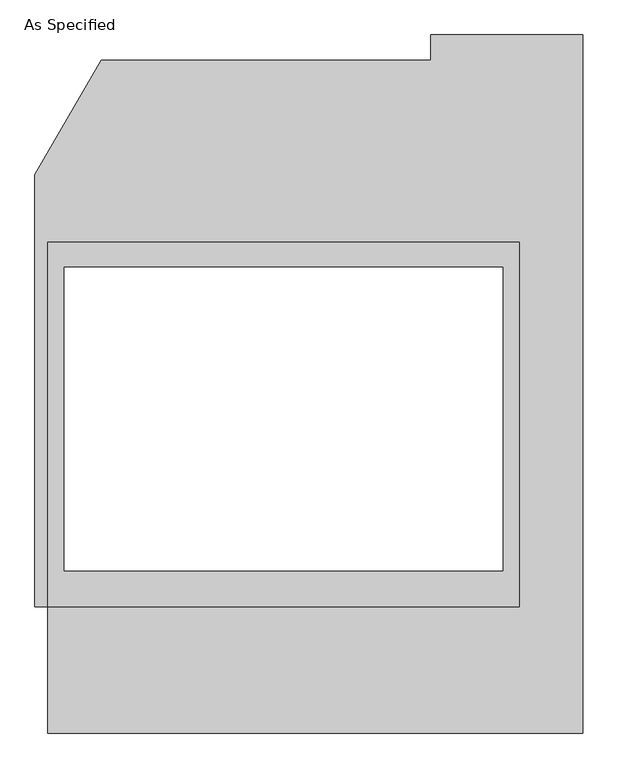
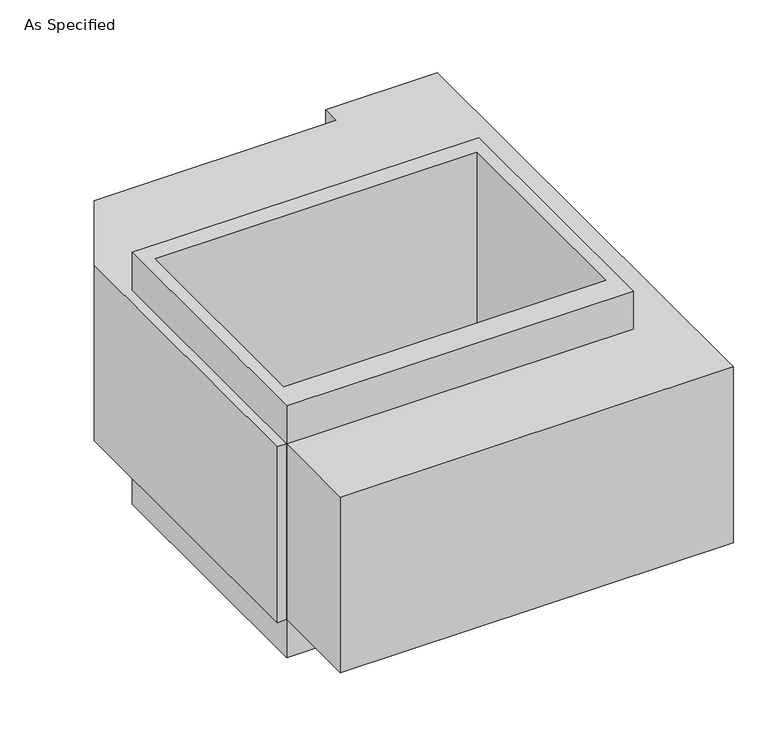
"""IFC4 building model written with IfcOpenShell, lengths in millimetres: proxy geometry, As Specified."""

from ifc_helpers import new_model, si_unit, frame, origin, place, context, project, spatial, polyline, outline, extrude, source, transform, mapped, element, save


def as_specified_423052fd(model_context):
    return source(origin(), model_context, "Body", "SweptSolid", [
        extrude(outline(polyline([(711.2, 465.4351562), (711.2, -633.1148438), (-711.2, -633.1148438), (-711.2, 465.4351562), (711.2, 465.4351562)]), holes=[polyline([(-660.4, 389.2748437), (-660.4, -525.1251563), (660.4, -525.1251563), (660.4, 389.2748437), (-660.4, 389.2748437)])]), frame((0.0, 0.0, -952.5), z_axis=(0.0, 0.0, 1.0), x_axis=(1.0, 0.0, 0.0)), (0.0, 0.0, 1.0), 1092.2),
        extrude(outline(polyline([(-711.2, -1014.1148438), (-711.2, -633.1148438), (-749.3, -633.1148438), (-749.3, 668.6748437), (-549.860123, 1014.1148437), (444.5, 1014.1148437), (444.5, 1090.2751562), (901.7, 1090.2751562), (901.7, -1014.1148438), (-711.2, -1014.1148438)]), holes=[polyline([(660.4, -525.1251563), (660.4, 389.2748437), (-660.4, 389.2748437), (-660.4, -525.1251563), (660.4, -525.1251563)])]), frame((0.0, 0.0, -787.4), z_axis=(0.0, 0.0, 1.0), x_axis=(1.0, 0.0, 0.0)), (0.0, 0.0, 1.0), 762.0),
    ])


if __name__ == "__main__":
    model = new_model("IFC4")
    model_context = context("Model", 3, world=origin())
    ifc_project = project(units=[si_unit("LENGTHUNIT", "METRE", prefix="MILLI")], contexts=[model_context])
    site = spatial("IfcSite", under=ifc_project)
    building = spatial("IfcBuilding", under=site)
    placement = place(None, origin())
    as_specified_shape = as_specified_423052fd(model_context)
    element("IfcBuildingElementProxy", 1, Name="As Specified", ObjectType="As Specified", at=placement, inside=building, context=model_context, shape_type="MappedRepresentation", body=[
        mapped(as_specified_shape, transform((0.0, 0.0, 0.0), x_axis=(1.0, 0.0, 0.0), y_axis=(0.0, 1.0, 0.0), z_axis=(0.0, 0.0, 1.0))),
    ])
    save(model, "model.ifc")
